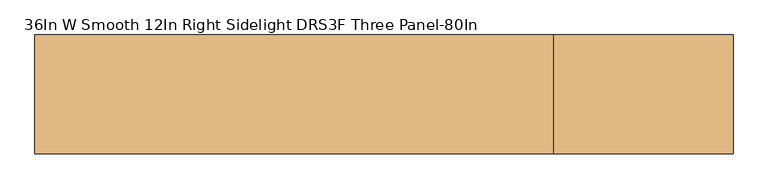
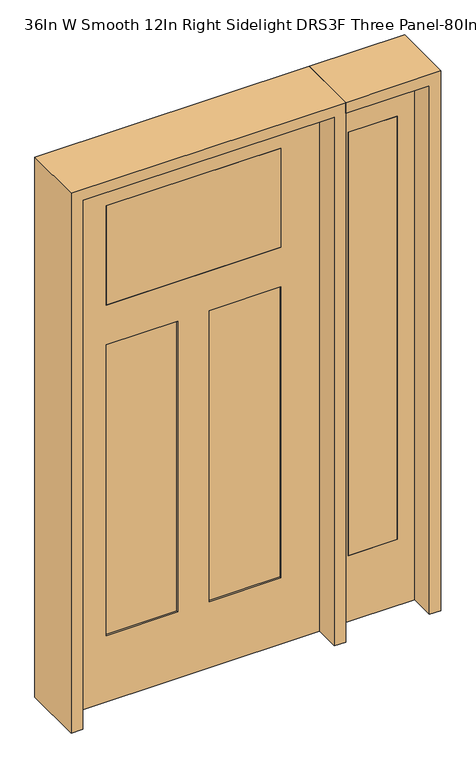
"""IFC4 building model written with IfcOpenShell, lengths in millimetres: door geometry, 36In W Smooth 12In Right Sidelight DRS3F Three Panel-80In."""

import ifcopenshell
import ifcopenshell.guid

model = None  # the IFC model being written
_history = None  # IfcOwnerHistory: only IFC2X3 demands one
_inside = {}  # id of a spatial element -> (the spatial element, [elements in it])
_under = {}  # id of a project, library or spatial element -> (it, [spatial elements below it])
_declared = {}  # id of a project -> (the project, [libraries it declares])
_typed = {}  # id of a type object -> (the type object, [elements of that type])
_made_of = {}  # id of a material, layer set ... -> (it, [elements and type objects made of it])


def new_model(schema):
    """Start an empty IFC model of exactly this schema.

    Asked for "IFC4X3", IfcOpenShell would pick the latest addendum, in which some entities
    have other attributes; the version numbers below select the first issue.
    IFC2X3 requires an IfcOwnerHistory on every rooted entity: one is made here for all.
    """
    global model, _history
    if schema == "IFC4X3":
        model = ifcopenshell.file(schema_version=(4, 3, 0, 0))
    else:
        model = ifcopenshell.file(schema=schema)
    _inside.clear()
    _under.clear()
    _declared.clear()
    _typed.clear()
    _made_of.clear()
    _history = None
    if model.schema == "IFC2X3":
        org = make("IfcOrganization", Name="unknown")
        user = make(
            "IfcPersonAndOrganization",
            ThePerson=make("IfcPerson", FamilyName="unknown"),
            TheOrganization=org,
        )
        app = make(
            "IfcApplication",
            ApplicationDeveloper=org,
            Version="unknown",
            ApplicationFullName="unknown",
            ApplicationIdentifier="unknown",
        )
        _history = make(
            "IfcOwnerHistory",
            OwningUser=user,
            OwningApplication=app,
            ChangeAction="ADDED",
            CreationDate=0,
        )
    return model


def make(cls, **values):
    """One entity of the class cls with the attributes given. An attribute that is None is left unset."""
    return model.create_entity(
        cls, **{name: value for name, value in values.items() if value is not None}
    )


def rooted(cls, **values):
    """An entity with a GlobalId (a new one), such as an element, a storey or a relation."""
    return make(cls, GlobalId=ifcopenshell.guid.new(), OwnerHistory=_history, **values)


def si_unit(unit_type, name, prefix=None):
    """IfcSIUnit, for example si_unit("LENGTHUNIT", "METRE", prefix="MILLI")."""
    return make("IfcSIUnit", UnitType=unit_type, Prefix=prefix, Name=name)


def assignment(units):
    """IfcUnitAssignment: the units of a project."""
    return None if units is None else make("IfcUnitAssignment", Units=units)


def point(xyz):
    """IfcCartesianPoint."""
    return None if xyz is None else make("IfcCartesianPoint", Coordinates=xyz)


def direction(xyz):
    """IfcDirection."""
    return None if xyz is None else make("IfcDirection", DirectionRatios=xyz)


def frame(location, z_axis=None, x_axis=None):
    """IfcAxis2Placement3D, a coordinate frame: its origin and axes. An axis left out is left unset."""
    return make(
        "IfcAxis2Placement3D",
        Location=point(location),
        Axis=direction(z_axis),
        RefDirection=direction(x_axis),
    )


def origin():
    """The frame at (0, 0, 0) with its axes left unset."""
    return frame((0.0, 0.0, 0.0))


def place(relative_to, where):
    """IfcLocalPlacement: puts the frame where relative to a parent placement (None: the world)."""
    return make(
        "IfcLocalPlacement", PlacementRelTo=relative_to, RelativePlacement=where
    )


def context(
    kind, dimensions, precision=None, world=None, true_north=None, identifier=None
):
    """IfcGeometricRepresentationContext, for example the 3D "Model" context."""
    return make(
        "IfcGeometricRepresentationContext",
        ContextIdentifier=identifier,
        ContextType=kind,
        CoordinateSpaceDimension=dimensions,
        Precision=precision,
        WorldCoordinateSystem=world,
        TrueNorth=true_north,
    )


def project(units=None, contexts=None):
    """IfcProject with its units and contexts."""
    return rooted(
        "IfcProject",
        Name="project",
        RepresentationContexts=contexts,
        UnitsInContext=assignment(units),
    )


def spatial(cls, under=None, at=None, **own):
    """A site, building, storey or space (cls), placed at a placement, below another one or the project."""
    s = rooted(cls, ObjectPlacement=at, **own)
    if under is not None:
        _under.setdefault(under.id(), (under, []))[1].append(s)
    return s


def polyline(points):
    """IfcPolyline through the points."""
    return make("IfcPolyline", Points=[point(p) for p in points])


def outline(outer, holes=None, kind="AREA"):
    """IfcArbitraryClosedProfileDef: a profile drawn as a closed curve; with holes, ...WithVoids."""
    if holes is None:
        return make("IfcArbitraryClosedProfileDef", ProfileType=kind, OuterCurve=outer)
    return make(
        "IfcArbitraryProfileDefWithVoids",
        ProfileType=kind,
        OuterCurve=outer,
        InnerCurves=holes,
    )


def extrude(swept, where, along, depth):
    """IfcExtrudedAreaSolid: the profile swept, set in the frame where, extruded along a direction by depth."""
    return make(
        "IfcExtrudedAreaSolid",
        SweptArea=swept,
        Position=where,
        ExtrudedDirection=direction(along),
        Depth=depth,
    )


def faces_of(points, faces, orient=None, outer=None):
    """IfcFace entities. A face is a list of loops; a loop is a list of indices into points, from 0.

    orient and outer hold one flag for each loop. By default every Orientation is true, the
    first loop of a face is its IfcFaceOuterBound and the others are IfcFaceBound.
    """
    made = []
    for i, loops in enumerate(faces):
        bounds = []
        for j, loop in enumerate(loops):
            is_outer = j == 0 if outer is None else outer[i][j]
            bounds.append(
                make(
                    "IfcFaceOuterBound" if is_outer else "IfcFaceBound",
                    Bound=make("IfcPolyLoop", Polygon=[points[k] for k in loop]),
                    Orientation=True if orient is None else orient[i][j],
                )
            )
        made.append(make("IfcFace", Bounds=bounds))
    return made


def faceted_brep(points, faces, orient=None, outer=None, voids=None):
    """IfcFacetedBrep: a solid bounded by flat faces; with voids (closed shells), ...WithVoids."""
    shared = [point(p) for p in points]
    hull = make("IfcClosedShell", CfsFaces=faces_of(shared, faces, orient, outer))
    if voids is None:
        return make("IfcFacetedBrep", Outer=hull)
    return make(
        "IfcFacetedBrepWithVoids",
        Outer=hull,
        Voids=[
            make(cls, CfsFaces=faces_of(shared, fs, o, b)) for cls, fs, o, b in voids
        ],
    )


def shape(context_of_items, identifier, shape_type, items):
    """IfcShapeRepresentation: the items that make up one representation, for example the "Body"."""
    return make(
        "IfcShapeRepresentation",
        ContextOfItems=context_of_items,
        RepresentationIdentifier=identifier,
        RepresentationType=shape_type,
        Items=items,
    )


def source(mapping_origin, context_of_items, identifier, shape_type, items):
    """IfcRepresentationMap: a shape defined once, which mapped items show again and again."""
    return make(
        "IfcRepresentationMap",
        MappingOrigin=mapping_origin,
        MappedRepresentation=shape(context_of_items, identifier, shape_type, items),
    )


def transform(
    local_origin,
    x_axis=None,
    y_axis=None,
    z_axis=None,
    scale=None,
    scale2=None,
    scale3=None,
    uniform=True,
):
    """IfcCartesianTransformationOperator3D, or its non-uniform kind. x_axis, y_axis, z_axis: its Axis1, 2, 3."""
    if uniform:
        return make(
            "IfcCartesianTransformationOperator3D",
            Axis1=direction(x_axis),
            Axis2=direction(y_axis),
            LocalOrigin=point(local_origin),
            Scale=scale,
            Axis3=direction(z_axis),
        )
    return make(
        "IfcCartesianTransformationOperator3DnonUniform",
        Axis1=direction(x_axis),
        Axis2=direction(y_axis),
        LocalOrigin=point(local_origin),
        Scale=scale,
        Axis3=direction(z_axis),
        Scale2=scale2,
        Scale3=scale3,
    )


def mapped(mapping_source, mapping_target):
    """IfcMappedItem: shows the shape of a source again, moved by a transform."""
    return make(
        "IfcMappedItem", MappingSource=mapping_source, MappingTarget=mapping_target
    )


def made_of(thing, what):
    """Note that an element or type object is made of a material, layer set ...; save() writes the relation."""
    if what is not None:
        _made_of.setdefault(what.id(), (what, []))[1].append(thing)
    return thing


def element(
    cls,
    number,
    at=None,
    inside=None,
    cuts=None,
    type_object=None,
    material=None,
    context=None,
    identifier="Body",
    shape_type=None,
    held_by="IfcProductDefinitionShape",
    body=None,
    shapes=None,
    **own,
):
    """One element of the class cls, such as IfcWall. Its Tag is "e" and its number.

    at: its placement. inside: the storey or other place that contains it. cuts: it is an
    opening in that element (IfcRelVoidsElement). A single representation is given by context,
    identifier, shape_type and body (its items); several are given by shapes. held_by: the class
    of the entity that holds the representations. save() writes the other relations.
    """
    e = rooted(cls, Tag="e%d" % number, ObjectPlacement=at, **own)
    if body is not None:
        shapes = [shape(context, identifier, shape_type, body)]
    if shapes is not None:
        e.Representation = make(held_by, Representations=shapes)
    if inside is not None:
        _inside.setdefault(inside.id(), (inside, []))[1].append(e)
    if cuts is not None:
        rooted(
            "IfcRelVoidsElement", RelatingBuildingElement=cuts, RelatedOpeningElement=e
        )
    if type_object is not None:
        _typed.setdefault(type_object.id(), (type_object, []))[1].append(e)
    return made_of(e, material)


def aggregate(whole, parts):
    """IfcRelAggregates: a whole, such as a stair, and the parts it consists of."""
    return rooted("IfcRelAggregates", RelatingObject=whole, RelatedObjects=parts)


def save(model, path):
    """Write the relations noted so far, then the file.

    IfcRelAggregates (storeys below a building ...), IfcRelContainedInSpatialStructure (elements
    in a storey), IfcRelDefinesByType, IfcRelAssociatesMaterial and IfcRelDeclares: one each for
    every whole, place, type object, material and project.
    """
    for whole, parts in _under.values():
        aggregate(whole, parts)
    for where, things in _inside.values():
        rooted(
            "IfcRelContainedInSpatialStructure",
            RelatedElements=things,
            RelatingStructure=where,
        )
    for kind, things in _typed.values():
        rooted("IfcRelDefinesByType", RelatedObjects=things, RelatingType=kind)
    for what, things in _made_of.values():
        rooted("IfcRelAssociatesMaterial", RelatedObjects=things, RelatingMaterial=what)
    for by, libraries in _declared.values():
        rooted("IfcRelDeclares", RelatingContext=by, RelatedDefinitions=libraries)
    model.write(path)


def door_36in_w_smooth_12in_right_sidelight_drs3f_three_panel_473914b3(model_context):
    return source(origin(), model_context, "Body", "SolidModel", [
        extrude(outline(polyline([(561.975, -20.6375), (561.975, 20.6375), (739.775, 20.6375), (739.775, -20.6375), (561.975, -20.6375)])), frame((0.0, 0.0, 254.0), z_axis=(0.0, 0.0, 1.0), x_axis=(1.0, 0.0, 0.0)), (0.0, 0.0, 1.0), 1625.6),
        extrude(outline(polyline([(0.0, 803.275), (2032.0, 803.275), (2032.0, 498.475), (0.0, 498.475), (0.0, 803.275)]), holes=[polyline([(1879.6, 561.975), (1879.6, 739.775), (254.0, 739.775), (254.0, 561.975), (1879.6, 561.975)])]), frame((0.0, -20.6375, 0.0), z_axis=(0.0, 1.0, 0.0), x_axis=(0.0, 0.0, 1.0)), (0.0, 0.0, 1.0), 41.275),
        faceted_brep([(457.2, 20.6375, 0.0), (457.2, -20.6375, 0.0), (-457.2, -20.6375, 0.0), (-457.2, 20.6375, 0.0), (457.2, 20.6375, 2032.0), (457.2, -20.6375, 2032.0), (-457.2, -20.6375, 2032.0), (-317.5, -20.6375, 1905.0), (317.5, -20.6375, 1905.0), (317.5, -20.6375, 1524.0), (-317.5, -20.6375, 1524.0), (-317.5, -20.6375, 1371.6), (-57.15, -20.6375, 1371.6), (-57.15, -20.6375, 254.0), (-317.5, -20.6375, 254.0), (57.15, -20.6375, 1371.6), (317.5, -20.6375, 1371.6), (317.5, -20.6375, 254.0), (57.15, -20.6375, 254.0), (-457.2, 20.6375, 2032.0), (-57.15, 20.6375, 1371.6), (-317.5, 20.6375, 1371.6), (-317.5, 20.6375, 254.0), (-57.15, 20.6375, 254.0), (317.5, 20.6375, 1371.6), (57.15, 20.6375, 1371.6), (57.15, 20.6375, 254.0), (317.5, 20.6375, 254.0), (317.5, 20.6375, 1905.0), (-317.5, 20.6375, 1905.0), (-317.5, 20.6375, 1524.0), (317.5, 20.6375, 1524.0), (-317.5, 14.2875, 1371.6), (-317.5, 14.2875, 254.0), (-57.15, 14.2875, 254.0), (-57.15, 14.2875, 1371.6), (57.15, 14.2875, 1371.6), (57.15, 14.2875, 254.0), (317.5, 14.2875, 254.0), (317.5, 14.2875, 1371.6), (-57.15, -14.2875, 1371.6), (-57.15, -14.2875, 254.0), (-317.5, -14.2875, 254.0), (-317.5, -14.2875, 1371.6), (317.5, -14.2875, 1371.6), (317.5, -14.2875, 254.0), (57.15, -14.2875, 254.0), (57.15, -14.2875, 1371.6)], [[[0, 1, 2, 3]], [[4, 5, 1, 0]], [[5, 6, 2, 1], [7, 8, 9, 10], [11, 12, 13, 14], [15, 16, 17, 18]], [[6, 19, 3, 2]], [[19, 4, 0, 3], [20, 21, 22, 23], [24, 25, 26, 27], [28, 29, 30, 31]], [[4, 19, 6, 5]], [[32, 33, 22, 21]], [[33, 34, 23, 22]], [[34, 35, 20, 23]], [[36, 37, 26, 25]], [[37, 38, 27, 26]], [[38, 39, 24, 27]], [[40, 41, 13, 12]], [[41, 42, 14, 13]], [[42, 43, 11, 14]], [[44, 45, 17, 16]], [[45, 46, 18, 17]], [[46, 47, 15, 18]], [[40, 43, 42, 41]], [[44, 47, 46, 45]], [[35, 34, 33, 32]], [[39, 38, 37, 36]], [[7, 29, 28, 8]], [[29, 7, 10, 30]], [[30, 10, 9, 31]], [[8, 28, 31, 9]], [[43, 40, 12, 11]], [[47, 44, 16, 15]], [[35, 32, 21, 20]], [[39, 36, 25, 24]]]),
        extrude(outline(polyline([(317.5, -20.6375), (-317.5, -20.6375), (-317.5, 20.6375), (317.5, 20.6375), (317.5, -20.6375)])), frame((0.0, 0.0, 1524.0), z_axis=(0.0, 0.0, 1.0), x_axis=(1.0, 0.0, 0.0)), (0.0, 0.0, 1.0), 381.0),
        extrude(outline(polyline([(2073.275, -498.475), (0.0, -498.475), (0.0, -457.2), (2032.0, -457.2), (2032.0, 457.2), (0.0, 457.2), (0.0, 498.475), (2073.275, 498.475), (2073.275, -498.475)])), frame((0.0, -114.3, 0.0), z_axis=(0.0, 1.0, 0.0), x_axis=(0.0, 0.0, 1.0)), (0.0, 0.0, 1.0), 228.6),
        extrude(outline(polyline([(0.0, 803.275), (0.0, 844.55), (2073.275, 844.55), (2073.275, 498.475), (2032.0, 498.475), (2032.0, 803.275), (0.0, 803.275)])), frame((0.0, -114.3, 0.0), z_axis=(0.0, 1.0, 0.0), x_axis=(0.0, 0.0, 1.0)), (0.0, 0.0, 1.0), 228.6),
    ])


if __name__ == "__main__":
    model = new_model("IFC4")
    model_context = context("Model", 3, world=origin())
    ifc_project = project(units=[si_unit("LENGTHUNIT", "METRE", prefix="MILLI")], contexts=[model_context])
    site = spatial("IfcSite", under=ifc_project)
    building = spatial("IfcBuilding", under=site)
    placement = place(None, origin())
    door_36in_w_smooth_12in_right_sidelight_drs3f_three_panel_shape = door_36in_w_smooth_12in_right_sidelight_drs3f_three_panel_473914b3(model_context)
    element("IfcDoor", 1, ObjectType="36In W Smooth 12In Right Sidelight DRS3F Three Panel-80In", at=placement, inside=building, context=model_context, shape_type="MappedRepresentation", body=[
        mapped(door_36in_w_smooth_12in_right_sidelight_drs3f_three_panel_shape, transform((0.0, 0.0, 0.0), x_axis=(1.0, 0.0, 0.0), y_axis=(0.0, 1.0, 0.0), z_axis=(0.0, 0.0, 1.0))),
    ])
    save(model, "model.ifc")
